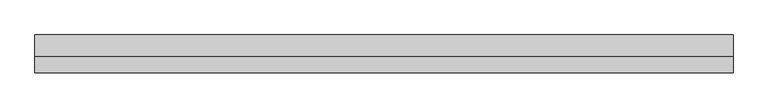
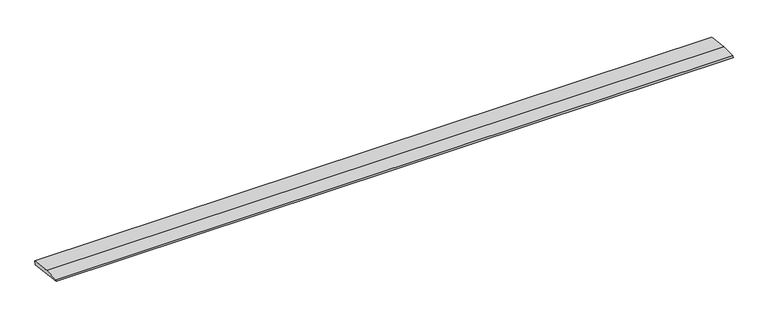
"""IFC4 building model written with IfcOpenShell, lengths in millimetres: beam geometry."""

from ifc_helpers import new_model, si_unit, frame, origin, place, context, project, spatial, polyline, outline, extrude, source, transform, mapped, element, save


def beam_7df44f64(model_context):
    return source(origin(), model_context, "Body", "SweptSolid", [
        extrude(outline(polyline([(0.0, -9.143159), (1.1226388, 0.0), (79.0749747, 0.0), (180.9387048, -12.5072934), (178.6231873, -31.3656703), (0.0, -9.143159)])), frame((-1668.9854861, 0.0, 0.0), z_axis=(1.0, 0.0, 0.0), x_axis=(0.0, 1.0, 0.0)), (0.0, 0.0, 1.0), 3337.9709721),
    ])


if __name__ == "__main__":
    model = new_model("IFC4")
    model_context = context("Model", 3, world=origin())
    ifc_project = project(units=[si_unit("LENGTHUNIT", "METRE", prefix="MILLI")], contexts=[model_context])
    site = spatial("IfcSite", under=ifc_project)
    building = spatial("IfcBuilding", under=site)
    placement = place(None, origin())
    beam_shape = beam_7df44f64(model_context)
    element("IfcBeam", 1, at=placement, inside=building, context=model_context, shape_type="MappedRepresentation", body=[
        mapped(beam_shape, transform((0.0, 0.0, 0.0), x_axis=(1.0, 0.0, 0.0), y_axis=(0.0, 1.0, 0.0), z_axis=(0.0, 0.0, 1.0))),
    ])
    save(model, "model.ifc")
